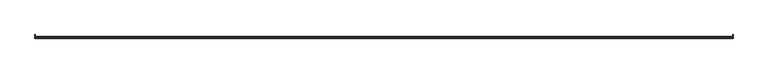
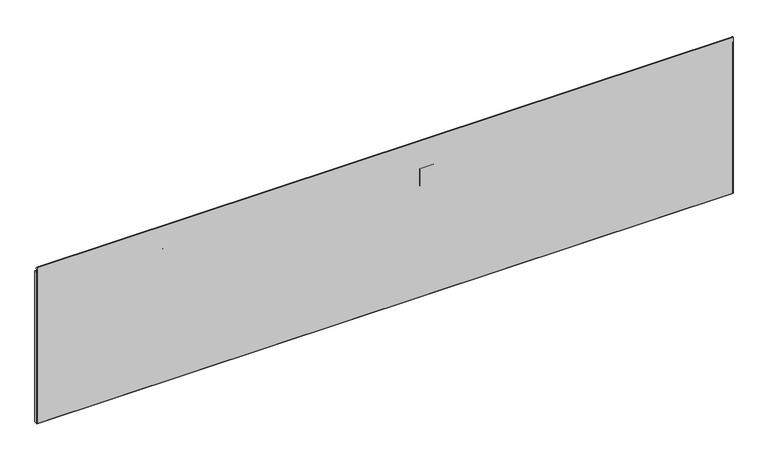
"""IFC4 building model written with IfcOpenShell, lengths in millimetres: furniture geometry."""

from ifc_helpers import new_model, si_unit, point, frame, frame_2d, origin, place, context, project, spatial, polyline, circle_curve, trimmed, segment, composite_curve, outline, extrude, source, transform, mapped, element, save


def furniture_15f454e7(model_context):
    return source(origin(), model_context, "Body", "SweptSolid", [
        extrude(outline(polyline([(1005.5860745, 1.2721123), (1005.5860745, 2.5421123), (1079.7540764, 2.5421123), (1079.7540764, 1.2721123), (1005.5860745, 1.2721123)])), frame((0.0, 0.0, 411.5278968), z_axis=(0.0, 0.0, 1.0), x_axis=(1.0, 0.0, 0.0)), (0.0, 0.0, 1.0), 47.8027871),
        extrude(outline(polyline([(445.5161351, 1.2721123), (445.5161351, 2.5421123), (519.684137, 2.5421123), (519.684137, 1.2721123), (445.5161351, 1.2721123)])), frame((0.0, 0.0, 411.5278968), z_axis=(0.0, 0.0, 1.0), x_axis=(1.0, 0.0, 0.0)), (0.0, 0.0, 1.0), 47.8027871),
        extrude(outline(polyline([(1158.2400561, 1.2721123), (1158.2400561, 2.5421123), (1196.3400561, 2.5421123), (1196.3400561, 1.2721123), (1158.2400561, 1.2721123)])), frame((0.0, 0.0, 397.3293085), z_axis=(0.0, 0.0, 1.0), x_axis=(1.0, 0.0, 0.0)), (0.0, 0.0, 1.0), 76.2),
        extrude(outline(polyline([(328.9301554, 1.2721123), (328.9301554, 2.5421123), (367.0301554, 2.5421123), (367.0301554, 1.2721123), (328.9301554, 1.2721123)])), frame((0.0, 0.0, 397.3293085), z_axis=(0.0, 0.0, 1.0), x_axis=(1.0, 0.0, 0.0)), (0.0, 0.0, 1.0), 76.2),
        extrude(outline(composite_curve([segment(trimmed(circle_curve(frame_2d((8.4095119, 520.8810587)), 1.651), [point((8.4095119, 522.5320587))], [point((10.0605119, 520.8810587))], False, "CARTESIAN"), True, "CONTINUOUS"), segment(polyline([(10.0605119, 520.8810587), (10.0605119, 104.8366971)]), True, "CONTINUOUS"), segment(trimmed(circle_curve(frame_2d((8.4018919, 104.8366971)), 1.65862), [point((10.0605119, 104.8366971))], [point((8.4018919, 103.1780771))], False, "CARTESIAN"), True, "CONTINUOUS"), segment(polyline([(8.4018919, 103.1780771), (1.2721123, 103.1780771), (1.2721123, 522.5320587), (8.4095119, 522.5320587)]), True, "CONTINUOUS")], self_intersect=False)), frame((1827.4284097, 0.0, 0.0), z_axis=(1.0, 0.0, 0.0), x_axis=(0.0, 1.0, 0.0)), (0.0, 0.0, 1.0), 0.7366),
        extrude(outline(composite_curve([segment(trimmed(circle_curve(frame_2d((8.4095119, 520.8810587)), 1.651), [point((8.4095119, 522.5320587))], [point((10.0605119, 520.8810587))], False, "CARTESIAN"), True, "CONTINUOUS"), segment(polyline([(10.0605119, 520.8810587), (10.0605119, 104.8366971)]), True, "CONTINUOUS"), segment(trimmed(circle_curve(frame_2d((8.4018919, 104.8366971)), 1.65862), [point((10.0605119, 104.8366971))], [point((8.4018919, 103.1780771))], False, "CARTESIAN"), True, "CONTINUOUS"), segment(polyline([(8.4018919, 103.1780771), (1.2721123, 103.1780771), (1.2721123, 522.5320587), (8.4095119, 522.5320587)]), True, "CONTINUOUS")], self_intersect=False)), frame((0.6350928, 0.0, 0.0), z_axis=(1.0, 0.0, 0.0), x_axis=(0.0, 1.0, 0.0)), (0.0, 0.0, 1.0), 0.7365942),
        extrude(outline(composite_curve([segment(polyline([(5.2083792, 532.0391456), (4.5239572, 531.6440005), (2.0304576, 535.9628641)]), True, "CONTINUOUS"), segment(trimmed(circle_curve(frame_2d((1.6785084, 535.7596659)), 0.4063961), [point((2.0304576, 535.9628641))], [point((1.2721123, 535.7596659))], True, "CARTESIAN"), True, "CONTINUOUS"), segment(polyline([(1.2721123, 535.7596659), (1.2721123, 102.4414771), (0.5355123, 103.1780771), (0.5355123, 535.8670732), (1.3826821, 536.971112), (2.6683793, 536.4386227), (5.2083792, 532.0391456)]), True, "CONTINUOUS")], self_intersect=False)), frame((0.6350928, 0.0, 0.0), z_axis=(1.0, 0.0, 0.0), x_axis=(0.0, 1.0, 0.0)), (0.0, 0.0, 1.0), 1827.5299169),
    ])


if __name__ == "__main__":
    model = new_model("IFC4")
    model_context = context("Model", 3, world=origin())
    ifc_project = project(units=[si_unit("LENGTHUNIT", "METRE", prefix="MILLI")], contexts=[model_context])
    site = spatial("IfcSite", under=ifc_project)
    building = spatial("IfcBuilding", under=site)
    placement = place(None, origin())
    furniture_shape = furniture_15f454e7(model_context)
    element("IfcFurniture", 1, at=placement, inside=building, context=model_context, shape_type="MappedRepresentation", body=[
        mapped(furniture_shape, transform((0.0, 0.0, 0.0), x_axis=(1.0, 0.0, 0.0), y_axis=(0.0, 1.0, 0.0), z_axis=(0.0, 0.0, 1.0))),
    ])
    save(model, "model.ifc")
